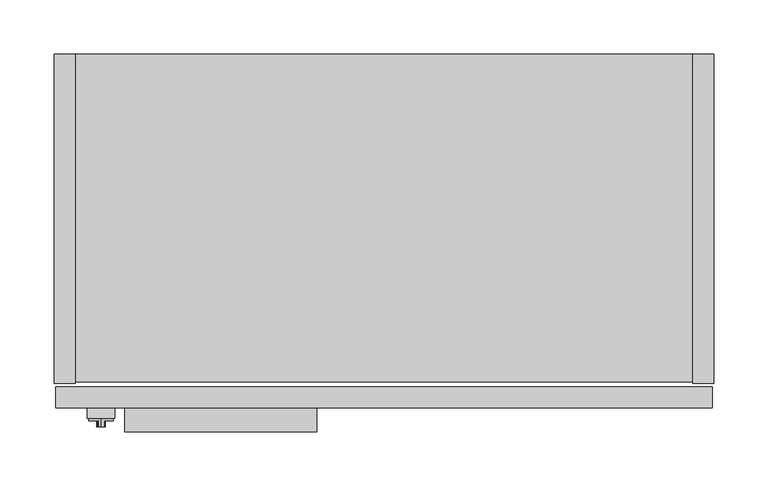
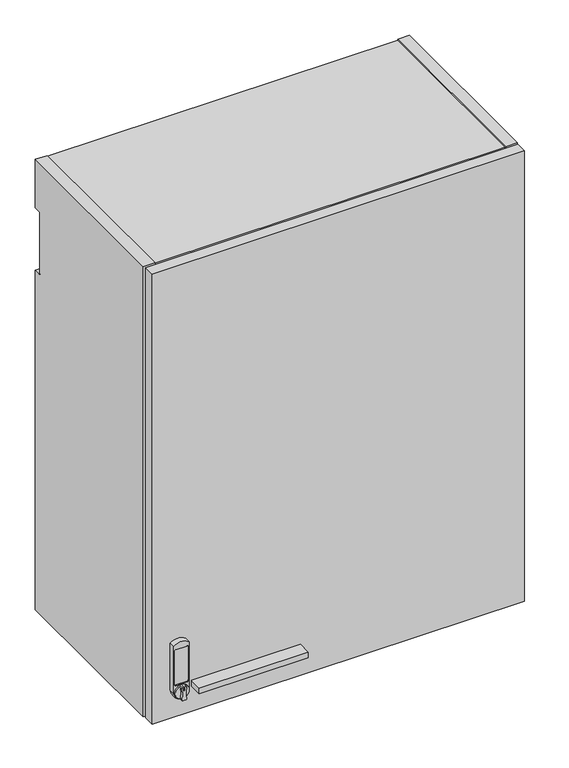
"""IFC4 building model written with IfcOpenShell, lengths in millimetres: furniture geometry."""

import ifcopenshell
import ifcopenshell.guid

model = None  # the IFC model being written
_history = None  # IfcOwnerHistory: only IFC2X3 demands one
_inside = {}  # id of a spatial element -> (the spatial element, [elements in it])
_under = {}  # id of a project, library or spatial element -> (it, [spatial elements below it])
_declared = {}  # id of a project -> (the project, [libraries it declares])
_typed = {}  # id of a type object -> (the type object, [elements of that type])
_made_of = {}  # id of a material, layer set ... -> (it, [elements and type objects made of it])


def new_model(schema):
    """Start an empty IFC model of exactly this schema.

    Asked for "IFC4X3", IfcOpenShell would pick the latest addendum, in which some entities
    have other attributes; the version numbers below select the first issue.
    IFC2X3 requires an IfcOwnerHistory on every rooted entity: one is made here for all.
    """
    global model, _history
    if schema == "IFC4X3":
        model = ifcopenshell.file(schema_version=(4, 3, 0, 0))
    else:
        model = ifcopenshell.file(schema=schema)
    _inside.clear()
    _under.clear()
    _declared.clear()
    _typed.clear()
    _made_of.clear()
    _history = None
    if model.schema == "IFC2X3":
        org = make("IfcOrganization", Name="unknown")
        user = make(
            "IfcPersonAndOrganization",
            ThePerson=make("IfcPerson", FamilyName="unknown"),
            TheOrganization=org,
        )
        app = make(
            "IfcApplication",
            ApplicationDeveloper=org,
            Version="unknown",
            ApplicationFullName="unknown",
            ApplicationIdentifier="unknown",
        )
        _history = make(
            "IfcOwnerHistory",
            OwningUser=user,
            OwningApplication=app,
            ChangeAction="ADDED",
            CreationDate=0,
        )
    return model


def make(cls, **values):
    """One entity of the class cls with the attributes given. An attribute that is None is left unset."""
    return model.create_entity(
        cls, **{name: value for name, value in values.items() if value is not None}
    )


def rooted(cls, **values):
    """An entity with a GlobalId (a new one), such as an element, a storey or a relation."""
    return make(cls, GlobalId=ifcopenshell.guid.new(), OwnerHistory=_history, **values)


def si_unit(unit_type, name, prefix=None):
    """IfcSIUnit, for example si_unit("LENGTHUNIT", "METRE", prefix="MILLI")."""
    return make("IfcSIUnit", UnitType=unit_type, Prefix=prefix, Name=name)


def assignment(units):
    """IfcUnitAssignment: the units of a project."""
    return None if units is None else make("IfcUnitAssignment", Units=units)


def point(xyz):
    """IfcCartesianPoint."""
    return None if xyz is None else make("IfcCartesianPoint", Coordinates=xyz)


def direction(xyz):
    """IfcDirection."""
    return None if xyz is None else make("IfcDirection", DirectionRatios=xyz)


def frame(location, z_axis=None, x_axis=None):
    """IfcAxis2Placement3D, a coordinate frame: its origin and axes. An axis left out is left unset."""
    return make(
        "IfcAxis2Placement3D",
        Location=point(location),
        Axis=direction(z_axis),
        RefDirection=direction(x_axis),
    )


def frame_2d(location, x_axis=None):
    """IfcAxis2Placement2D, a coordinate frame in the plane: its origin and x axis."""
    return make(
        "IfcAxis2Placement2D", Location=point(location), RefDirection=direction(x_axis)
    )


def origin():
    """The frame at (0, 0, 0) with its axes left unset."""
    return frame((0.0, 0.0, 0.0))


def place(relative_to, where):
    """IfcLocalPlacement: puts the frame where relative to a parent placement (None: the world)."""
    return make(
        "IfcLocalPlacement", PlacementRelTo=relative_to, RelativePlacement=where
    )


def context(
    kind, dimensions, precision=None, world=None, true_north=None, identifier=None
):
    """IfcGeometricRepresentationContext, for example the 3D "Model" context."""
    return make(
        "IfcGeometricRepresentationContext",
        ContextIdentifier=identifier,
        ContextType=kind,
        CoordinateSpaceDimension=dimensions,
        Precision=precision,
        WorldCoordinateSystem=world,
        TrueNorth=true_north,
    )


def project(units=None, contexts=None):
    """IfcProject with its units and contexts."""
    return rooted(
        "IfcProject",
        Name="project",
        RepresentationContexts=contexts,
        UnitsInContext=assignment(units),
    )


def spatial(cls, under=None, at=None, **own):
    """A site, building, storey or space (cls), placed at a placement, below another one or the project."""
    s = rooted(cls, ObjectPlacement=at, **own)
    if under is not None:
        _under.setdefault(under.id(), (under, []))[1].append(s)
    return s


def polyline(points):
    """IfcPolyline through the points."""
    return make("IfcPolyline", Points=[point(p) for p in points])


def circle_curve(where, radius):
    """IfcCircle in the frame where."""
    return make("IfcCircle", Position=where, Radius=radius)


def trimmed(basis, trim1, trim2, sense, master):
    """IfcTrimmedCurve: the piece of a basis curve between two trims."""
    return make(
        "IfcTrimmedCurve",
        BasisCurve=basis,
        Trim1=trim1,
        Trim2=trim2,
        SenseAgreement=sense,
        MasterRepresentation=master,
    )


def segment(curve, same_sense, transition):
    """IfcCompositeCurveSegment."""
    return make(
        "IfcCompositeCurveSegment",
        Transition=transition,
        SameSense=same_sense,
        ParentCurve=curve,
    )


def composite_curve(segments, self_intersect=None):
    """IfcCompositeCurve: segments joined end to end."""
    return make("IfcCompositeCurve", Segments=segments, SelfIntersect=self_intersect)


def outline(outer, holes=None, kind="AREA"):
    """IfcArbitraryClosedProfileDef: a profile drawn as a closed curve; with holes, ...WithVoids."""
    if holes is None:
        return make("IfcArbitraryClosedProfileDef", ProfileType=kind, OuterCurve=outer)
    return make(
        "IfcArbitraryProfileDefWithVoids",
        ProfileType=kind,
        OuterCurve=outer,
        InnerCurves=holes,
    )


def extrude(swept, where, along, depth):
    """IfcExtrudedAreaSolid: the profile swept, set in the frame where, extruded along a direction by depth."""
    return make(
        "IfcExtrudedAreaSolid",
        SweptArea=swept,
        Position=where,
        ExtrudedDirection=direction(along),
        Depth=depth,
    )


def shape(context_of_items, identifier, shape_type, items):
    """IfcShapeRepresentation: the items that make up one representation, for example the "Body"."""
    return make(
        "IfcShapeRepresentation",
        ContextOfItems=context_of_items,
        RepresentationIdentifier=identifier,
        RepresentationType=shape_type,
        Items=items,
    )


def source(mapping_origin, context_of_items, identifier, shape_type, items):
    """IfcRepresentationMap: a shape defined once, which mapped items show again and again."""
    return make(
        "IfcRepresentationMap",
        MappingOrigin=mapping_origin,
        MappedRepresentation=shape(context_of_items, identifier, shape_type, items),
    )


def transform(
    local_origin,
    x_axis=None,
    y_axis=None,
    z_axis=None,
    scale=None,
    scale2=None,
    scale3=None,
    uniform=True,
):
    """IfcCartesianTransformationOperator3D, or its non-uniform kind. x_axis, y_axis, z_axis: its Axis1, 2, 3."""
    if uniform:
        return make(
            "IfcCartesianTransformationOperator3D",
            Axis1=direction(x_axis),
            Axis2=direction(y_axis),
            LocalOrigin=point(local_origin),
            Scale=scale,
            Axis3=direction(z_axis),
        )
    return make(
        "IfcCartesianTransformationOperator3DnonUniform",
        Axis1=direction(x_axis),
        Axis2=direction(y_axis),
        LocalOrigin=point(local_origin),
        Scale=scale,
        Axis3=direction(z_axis),
        Scale2=scale2,
        Scale3=scale3,
    )


def mapped(mapping_source, mapping_target):
    """IfcMappedItem: shows the shape of a source again, moved by a transform."""
    return make(
        "IfcMappedItem", MappingSource=mapping_source, MappingTarget=mapping_target
    )


def made_of(thing, what):
    """Note that an element or type object is made of a material, layer set ...; save() writes the relation."""
    if what is not None:
        _made_of.setdefault(what.id(), (what, []))[1].append(thing)
    return thing


def element(
    cls,
    number,
    at=None,
    inside=None,
    cuts=None,
    type_object=None,
    material=None,
    context=None,
    identifier="Body",
    shape_type=None,
    held_by="IfcProductDefinitionShape",
    body=None,
    shapes=None,
    **own,
):
    """One element of the class cls, such as IfcWall. Its Tag is "e" and its number.

    at: its placement. inside: the storey or other place that contains it. cuts: it is an
    opening in that element (IfcRelVoidsElement). A single representation is given by context,
    identifier, shape_type and body (its items); several are given by shapes. held_by: the class
    of the entity that holds the representations. save() writes the other relations.
    """
    e = rooted(cls, Tag="e%d" % number, ObjectPlacement=at, **own)
    if body is not None:
        shapes = [shape(context, identifier, shape_type, body)]
    if shapes is not None:
        e.Representation = make(held_by, Representations=shapes)
    if inside is not None:
        _inside.setdefault(inside.id(), (inside, []))[1].append(e)
    if cuts is not None:
        rooted(
            "IfcRelVoidsElement", RelatingBuildingElement=cuts, RelatedOpeningElement=e
        )
    if type_object is not None:
        _typed.setdefault(type_object.id(), (type_object, []))[1].append(e)
    return made_of(e, material)


def aggregate(whole, parts):
    """IfcRelAggregates: a whole, such as a stair, and the parts it consists of."""
    return rooted("IfcRelAggregates", RelatingObject=whole, RelatedObjects=parts)


def save(model, path):
    """Write the relations noted so far, then the file.

    IfcRelAggregates (storeys below a building ...), IfcRelContainedInSpatialStructure (elements
    in a storey), IfcRelDefinesByType, IfcRelAssociatesMaterial and IfcRelDeclares: one each for
    every whole, place, type object, material and project.
    """
    for whole, parts in _under.values():
        aggregate(whole, parts)
    for where, things in _inside.values():
        rooted(
            "IfcRelContainedInSpatialStructure",
            RelatedElements=things,
            RelatingStructure=where,
        )
    for kind, things in _typed.values():
        rooted("IfcRelDefinesByType", RelatedObjects=things, RelatingType=kind)
    for what, things in _made_of.values():
        rooted("IfcRelAssociatesMaterial", RelatedObjects=things, RelatingMaterial=what)
    for by, libraries in _declared.values():
        rooted("IfcRelDeclares", RelatingContext=by, RelatedDefinitions=libraries)
    model.write(path)


def plane_surface(at):
    """IfcPlane: the flat surface through the origin of the frame at, square to its z axis."""
    return make("IfcPlane", Position=at)


def cylinder_surface(at, radius):
    """IfcCylindricalSurface: all points at the distance radius from the z axis of the frame at."""
    return make("IfcCylindricalSurface", Position=at, Radius=radius)


def revolved_surface(curve, axis_point, axis_direction):
    """IfcSurfaceOfRevolution: the curve turned about the line through axis_point along axis_direction."""
    return make(
        "IfcSurfaceOfRevolution",
        SweptCurve=make("IfcArbitraryOpenProfileDef", ProfileType="CURVE", Curve=curve),
        AxisPosition=make("IfcAxis1Placement", Location=point(axis_point), Axis=direction(axis_direction)),
    )


def advanced_brep(points, edges, surfaces, faces):
    """IfcAdvancedBrep: a solid bounded by faces that lie on surfaces and meet in shared edges.

    An edge is (start, end): straight between two places in points (the first is 0);
    or (start, end, curve); or (start, end, curve, False) where it runs against its curve.
    A face is (place in surfaces, loops), or (place, loops, False) where it looks against
    its surface's normal. A loop lists edges by number (the first is 1), with a minus sign
    where the edge is run from its end to its start. The first loop is the outer one.
    """
    corners = [point(p) for p in points]
    vertices = [make("IfcVertexPoint", VertexGeometry=c) for c in corners]
    made = []
    for start, end, *more in edges:
        made.append(
            make(
                "IfcEdgeCurve",
                EdgeStart=vertices[start],
                EdgeEnd=vertices[end],
                EdgeGeometry=more[0] if more else make("IfcPolyline", Points=[corners[start], corners[end]]),
                SameSense=more[1] if len(more) > 1 else True,
            )
        )
    hull = []
    for where, loops, *sense in faces:
        bounds = []
        for j, loop in enumerate(loops):
            ring = [make("IfcOrientedEdge", EdgeElement=made[abs(k) - 1], Orientation=k > 0) for k in loop]
            bounds.append(
                make(
                    "IfcFaceOuterBound" if j == 0 else "IfcFaceBound",
                    Bound=make("IfcEdgeLoop", EdgeList=ring),
                    Orientation=True,
                )
            )
        hull.append(make("IfcAdvancedFace", Bounds=bounds, FaceSurface=surfaces[where], SameSense=sense[0] if sense else True))
    return make("IfcAdvancedBrep", Outer=make("IfcClosedShell", CfsFaces=hull))


def furniture_f4bc5481(model_context):
    return source(origin(), model_context, "Body", "SolidModel", [
        advanced_brep(
        [(43.4975, -344.551, 1939.7791484), (40.543813, -344.551, 1939.3909161), (39.6305336, -344.551, 1937.6339969), (39.6003845, -344.551, 1918.5009499), (40.543813, -344.551, 1917.3073808), (43.4975, -344.551, 1916.9191484), (46.451187, -344.551, 1917.3073808), (47.3946155, -344.551, 1918.5009499), (47.3644664, -344.551, 1937.6339969), (46.451187, -344.551, 1939.3909161), (42.7355, -344.551, 1937.7617878), (44.2595, -344.551, 1937.7617878), (44.2595, -344.551, 1934.4712263), (42.7355, -344.551, 1934.4712263), (43.4975, -336.931, 1939.7791484), (43.4975, -336.931, 1916.9191484), (46.451187, -339.1034403, 1939.3909161), (46.451187, -339.1034403, 1917.3073808), (40.543813, -339.1034403, 1917.3073808), (40.543813, -339.1034403, 1939.3909161), (39.6003845, -339.1034403, 1918.5009499), (39.6305336, -339.1034403, 1937.6339969), (47.3946155, -339.1034403, 1918.5009499), (47.3644664, -339.1034403, 1937.6339969), (42.7355, -343.3268699, 1934.4712263), (44.2595, -343.3268699, 1934.4712263), (44.2595, -343.3268699, 1937.7617878), (42.7355, -343.3268699, 1937.7617878)],
        [
            (0, 1, circle_curve(frame((43.4975, -344.551, 1928.3491484), z_axis=(0.0, -1.0, 0.0), x_axis=(0.0, 0.0, -1.0)), 11.43)),
            (1, 2, circle_curve(frame((41.08404, -344.551, 1937.9942665), z_axis=(0.0, -1.0, 0.0), x_axis=(0.0, 0.0, -1.0)), 1.4974896)),
            (2, 3, circle_curve(frame((1.2781576, -344.551, 1928.1278836), z_axis=(0.0, 1.0, 0.0), x_axis=(0.0, 0.0, -1.0)), 39.512921)),
            (3, 4, circle_curve(frame((41.08404, -344.551, 1918.7040303), z_axis=(0.0, -1.0, 0.0), x_axis=(0.0, 0.0, -1.0)), 1.4974896)),
            (4, 5, circle_curve(frame((43.4975, -344.551, 1928.3491484), z_axis=(0.0, -1.0, 0.0), x_axis=(0.0, 0.0, -1.0)), 11.43)),
            (5, 6, circle_curve(frame((43.4975, -344.551, 1928.3491484), z_axis=(0.0, -1.0, 0.0), x_axis=(0.0, 0.0, -1.0)), 11.43)),
            (6, 7, circle_curve(frame((45.91096, -344.551, 1918.7040303), z_axis=(0.0, -1.0, 0.0), x_axis=(0.0, 0.0, -1.0)), 1.4974896)),
            (7, 8, circle_curve(frame((85.7168424, -344.551, 1928.1278836), z_axis=(0.0, 1.0, 0.0), x_axis=(0.0, 0.0, -1.0)), 39.512921)),
            (8, 9, circle_curve(frame((45.91096, -344.551, 1937.9942665), z_axis=(0.0, -1.0, 0.0), x_axis=(0.0, 0.0, -1.0)), 1.4974896)),
            (9, 0, circle_curve(frame((43.4975, -344.551, 1928.3491484), z_axis=(0.0, -1.0, 0.0), x_axis=(0.0, 0.0, -1.0)), 11.43)),
            (10, 11, circle_curve(frame((43.4975, -344.551, 1937.7617878), z_axis=(0.0, 1.0, 0.0), x_axis=(0.0, 0.0, -1.0)), 0.762)),
            (11, 12),
            (12, 13, circle_curve(frame((43.4975, -344.551, 1934.4712263), z_axis=(0.0, 1.0, 0.0), x_axis=(0.0, 0.0, 1.0)), 0.762)),
            (13, 10),
            (14, 15, circle_curve(frame((43.4975, -336.931, 1928.3491484), z_axis=(0.0, 1.0, 0.0), x_axis=(0.0, 0.0, -1.0)), 11.43)),
            (15, 14, circle_curve(frame((43.4975, -336.931, 1928.3491484), z_axis=(0.0, 1.0, 0.0), x_axis=(0.0, 0.0, -1.0)), 11.43)),
            (14, 0),
            (9, 16),
            (16, 17, circle_curve(frame((43.4975, -339.1034403, 1928.3491484), z_axis=(0.0, 1.0, 0.0), x_axis=(0.0, 0.0, -1.0)), 11.43)),
            (17, 6),
            (5, 15),
            (4, 18),
            (18, 19, circle_curve(frame((43.4975, -339.1034403, 1928.3491484), z_axis=(0.0, 1.0, 0.0), x_axis=(0.0, 0.0, -1.0)), 11.43)),
            (19, 1),
            (20, 21, circle_curve(frame((1.2781576, -339.1034403, 1928.1278836), z_axis=(0.0, -1.0, 0.0), x_axis=(0.0, 0.0, -1.0)), 39.512921)),
            (21, 19, circle_curve(frame((41.08404, -339.1034403, 1937.9942665), z_axis=(0.0, 1.0, 0.0), x_axis=(0.0, 0.0, -1.0)), 1.4974896)),
            (18, 20, circle_curve(frame((41.08404, -339.1034403, 1918.7040303), z_axis=(0.0, 1.0, 0.0), x_axis=(0.0, 0.0, -1.0)), 1.4974896)),
            (22, 17, circle_curve(frame((45.91096, -339.1034403, 1918.7040303), z_axis=(0.0, 1.0, 0.0), x_axis=(0.0, 0.0, -1.0)), 1.4974896)),
            (16, 23, circle_curve(frame((45.91096, -339.1034403, 1937.9942665), z_axis=(0.0, 1.0, 0.0), x_axis=(0.0, 0.0, -1.0)), 1.4974896)),
            (23, 22, circle_curve(frame((85.7168424, -339.1034403, 1928.1278836), z_axis=(0.0, -1.0, 0.0), x_axis=(0.0, 0.0, -1.0)), 39.512921)),
            (3, 20),
            (21, 2),
            (23, 8),
            (7, 22),
            (24, 25, circle_curve(frame((43.4975, -343.3268699, 1934.4712263), z_axis=(0.0, -1.0, 0.0), x_axis=(0.0, 0.0, 1.0)), 0.762)),
            (25, 26),
            (26, 27, circle_curve(frame((43.4975, -343.3268699, 1937.7617878), z_axis=(0.0, -1.0, 0.0), x_axis=(0.0, 0.0, -1.0)), 0.762)),
            (27, 24),
            (27, 10),
            (13, 24),
            (26, 11),
            (25, 12),
        ],
        [
            plane_surface(frame((43.4975, -344.551, 1916.9191484), z_axis=(0.0, -1.0, 0.0), x_axis=(-1.0, 0.0, 0.0))),
            plane_surface(frame((43.4975, -336.931, 1916.9191484), z_axis=(0.0, 1.0, 0.0), x_axis=(1.0, 0.0, 0.0))),
            cylinder_surface(frame((43.4975, -336.931, 1928.3491484), z_axis=(0.0, -1.0, 0.0), x_axis=(0.0, 0.0, -1.0)), 11.43),
            plane_surface(frame((41.08404, -339.1034403, 1917.2065407), z_axis=(0.0, -1.0, 0.0), x_axis=(-1.0, 0.0, 0.0))),
            cylinder_surface(frame((41.08404, -339.1034403, 1918.7040303), z_axis=(0.0, 1.0, 0.0), x_axis=(0.0, 0.0, -1.0)), 1.4974896),
            cylinder_surface(frame((41.08404, -339.1034403, 1937.9942665), z_axis=(0.0, 1.0, 0.0), x_axis=(0.0, 0.0, -1.0)), 1.4974896),
            revolved_surface(polyline([(1.2781576, -344.551, 1888.6149626), (1.2781576, -339.1034403, 1888.6149626)]), (1.2781576, -339.1034403, 1928.1278836), (0.0, -1.0, 0.0)),
            revolved_surface(polyline([(85.7168424, -344.551, 1888.6149626), (85.7168424, -339.1034403, 1888.6149626)]), (85.7168424, -327.025, 1928.1278836), (0.0, -1.0, 0.0)),
            cylinder_surface(frame((45.91096, -327.025, 1937.9942665), z_axis=(0.0, 1.0, 0.0), x_axis=(0.0, 0.0, -1.0)), 1.4974896),
            cylinder_surface(frame((45.91096, -327.025, 1918.7040303), z_axis=(0.0, 1.0, 0.0), x_axis=(0.0, 0.0, -1.0)), 1.4974896),
            plane_surface(frame((42.7355, -343.3268699, 2013.5554451), z_axis=(0.0, -1.0, 0.0), x_axis=(0.0, 0.0, -1.0))),
            plane_surface(frame((42.7355, -344.551, 1934.4712263), z_axis=(1.0, 0.0, 0.0), x_axis=(0.0, 1.0, 0.0))),
            revolved_surface(polyline([(43.4975, -344.551, 1936.9997878000001), (43.4975, -343.3268699, 1936.9997878000001)]), (43.4975, -343.3268699, 1937.7617878), (0.0, -1.0, 0.0)),
            plane_surface(frame((44.2595, -344.551, 1937.7617878), z_axis=(-1.0, 0.0, 0.0), x_axis=(0.0, 1.0, 0.0))),
            revolved_surface(polyline([(43.4975, -344.551, 1935.2332262999998), (43.4975, -343.3268699, 1935.2332262999998)]), (43.4975, -343.3268699, 1934.4712263), (0.0, -1.0, 0.0)),
        ],
        [
            (0, [[1, 2, 3, 4, 5, 6, 7, 8, 9, 10], [11, 12, 13, 14]]),
            (1, [[15, 16]]),
            (2, [[17, -10, 18, 19, 20, -6, 21, -15]]),
            (2, [[-21, -5, 22, 23, 24, -1, -17, -16]]),
            (3, [[25, 26, -23, 27]]),
            (3, [[28, -19, 29, 30]]),
            (4, [[-22, -4, 31, -27]]),
            (5, [[32, -2, -24, -26]]),
            (6, [[-31, -3, -32, -25]]),
            (7, [[33, -8, 34, -30]]),
            (8, [[-18, -9, -33, -29]]),
            (9, [[-34, -7, -20, -28]]),
            (10, [[35, 36, 37, 38]]),
            (11, [[39, -14, 40, -38]]),
            (12, [[41, -11, -39, -37]]),
            (13, [[42, -12, -41, -36]]),
            (14, [[-40, -13, -42, -35]]),
        ],
    ),
        advanced_brep(
        [(30.7975, -336.931, 2008.9061718), (30.7975, -336.931, 1928.2156), (56.1975, -336.931, 1928.2156), (56.1975, -336.931, 2008.9061718), (54.9275, -336.931, 1943.5097734), (52.3875, -336.931, 1940.9697734), (34.6075, -336.931, 1940.9697734), (32.0675, -336.931, 1943.5097734), (32.0675, -336.931, 2000.1253259), (34.6075, -336.931, 2002.6653259), (52.3875, -336.931, 2002.6653259), (54.9275, -336.931, 2000.1253259), (30.7975, -327.025, 2008.9061718), (56.1975, -327.025, 2008.9061718), (56.1975, -327.025, 1928.2156), (30.7975, -327.025, 1928.2156), (52.3875, -335.4242162, 2002.6653259), (34.6075, -335.4242162, 2002.6653259), (32.0675, -335.4242162, 2000.1253259), (32.0675, -335.4242162, 1943.5097734), (34.6075, -335.4242162, 1940.9697734), (52.3875, -335.4242162, 1940.9697734), (54.9275, -335.4242162, 1943.5097734), (54.9275, -335.4242162, 2000.1253259)],
        [
            (0, 1),
            (1, 2, circle_curve(frame((43.4975, -336.931, 1928.2156), z_axis=(0.0, -1.0, 0.0), x_axis=(0.0, 0.0, -1.0)), 12.7)),
            (2, 3),
            (3, 0, circle_curve(frame((43.4975, -336.931, 1993.885087), z_axis=(0.0, -1.0, 0.0), x_axis=(0.0, 0.0, -1.0)), 19.6703582)),
            (4, 5, circle_curve(frame((52.3875, -336.931, 1943.5097734), z_axis=(0.0, 1.0, 0.0), x_axis=(0.0, 0.0, -1.0)), 2.54)),
            (5, 6),
            (6, 7, circle_curve(frame((34.6075, -336.931, 1943.5097734), z_axis=(0.0, 1.0, 0.0), x_axis=(0.0, 0.0, -1.0)), 2.54)),
            (7, 8),
            (8, 9, circle_curve(frame((34.6075, -336.931, 2000.1253259), z_axis=(0.0, 1.0, 0.0), x_axis=(0.0, 0.0, -1.0)), 2.54)),
            (9, 10),
            (10, 11, circle_curve(frame((52.3875, -336.931, 2000.1253259), z_axis=(0.0, 1.0, 0.0), x_axis=(0.0, 0.0, -1.0)), 2.54)),
            (11, 4),
            (12, 13, circle_curve(frame((43.4975, -327.025, 1993.885087), z_axis=(0.0, 1.0, 0.0), x_axis=(0.0, 0.0, -1.0)), 19.6703582)),
            (13, 14),
            (14, 15, circle_curve(frame((43.4975, -327.025, 1928.2156), z_axis=(0.0, 1.0, 0.0), x_axis=(0.0, 0.0, -1.0)), 12.7)),
            (15, 12),
            (2, 14),
            (13, 3),
            (0, 12),
            (15, 1),
            (16, 17),
            (17, 18, circle_curve(frame((34.6075, -335.4242162, 2000.1253259), z_axis=(0.0, -1.0, 0.0), x_axis=(0.0, 0.0, -1.0)), 2.54)),
            (18, 19),
            (19, 20, circle_curve(frame((34.6075, -335.4242162, 1943.5097734), z_axis=(0.0, -1.0, 0.0), x_axis=(0.0, 0.0, -1.0)), 2.54)),
            (20, 21),
            (21, 22, circle_curve(frame((52.3875, -335.4242162, 1943.5097734), z_axis=(0.0, -1.0, 0.0), x_axis=(0.0, 0.0, -1.0)), 2.54)),
            (22, 23),
            (23, 16, circle_curve(frame((52.3875, -335.4242162, 2000.1253259), z_axis=(0.0, -1.0, 0.0), x_axis=(0.0, 0.0, -1.0)), 2.54)),
            (22, 4),
            (11, 23),
            (20, 6),
            (5, 21),
            (18, 8),
            (7, 19),
            (16, 10),
            (9, 17),
        ],
        [
            plane_surface(frame((43.4975, -336.931, 1974.2147288), z_axis=(0.0, -1.0, 0.0), x_axis=(-1.0, 0.0, 0.0))),
            plane_surface(frame((43.4975, -327.025, 1974.2147288), z_axis=(0.0, 1.0, 0.0), x_axis=(1.0, 0.0, 0.0))),
            plane_surface(frame((56.1975, -336.931, 2008.9061718), z_axis=(1.0, 0.0, 0.0), x_axis=(0.0, 1.0, 0.0))),
            plane_surface(frame((30.7975, -336.931, 1928.2156), z_axis=(-1.0, 0.0, 2.7958673908800244e-12), x_axis=(0.0, 1.0, 0.0))),
            plane_surface(frame((52.3875, -335.4242162, 1997.5853259), z_axis=(0.0, -1.0, 0.0), x_axis=(1.0, 0.0, 0.0))),
            cylinder_surface(frame((43.4975, -327.025, 1928.2156), z_axis=(0.0, -1.0, 0.0), x_axis=(0.0, 0.0, -1.0)), 12.7),
            plane_surface(frame((54.9275, -343.3268699, 2000.1253259), z_axis=(-1.0, 0.0, -3.0438306120267246e-12), x_axis=(0.0, 1.0, 0.0))),
            plane_surface(frame((52.3875, -343.3268699, 1940.9697734), z_axis=(0.0, 0.0, 1.0), x_axis=(0.0, 1.0, 0.0))),
            plane_surface(frame((32.0675, -343.3268699, 1943.5097734), z_axis=(1.0, 0.0, 0.0), x_axis=(0.0, 1.0, 0.0))),
            plane_surface(frame((34.6075, -343.3268699, 2002.6653259), z_axis=(0.0, 0.0, -1.0), x_axis=(0.0, 1.0, 0.0))),
            revolved_surface(polyline([(52.3875, -336.931, 1997.5853259), (52.3875, -335.4242162, 1997.5853259)]), (52.3875, -335.4242162, 2000.1253259), (0.0, -1.0, 0.0)),
            revolved_surface(polyline([(52.3875, -336.931, 1940.9697734000001), (52.3875, -335.4242162, 1940.9697734000001)]), (52.3875, -335.4242162, 1943.5097734), (0.0, -1.0, 0.0)),
            revolved_surface(polyline([(34.6075, -336.931, 1940.9697734000001), (34.6075, -335.4242162, 1940.9697734000001)]), (34.6075, -335.4242162, 1943.5097734), (0.0, -1.0, 0.0)),
            revolved_surface(polyline([(34.6075, -336.931, 1997.5853259), (34.6075, -335.4242162, 1997.5853259)]), (34.6075, -335.4242162, 2000.1253259), (0.0, -1.0, 0.0)),
            cylinder_surface(frame((43.4975, -327.025, 1993.885087), z_axis=(0.0, -1.0, 0.0), x_axis=(0.0, 0.0, -1.0)), 19.6703582),
        ],
        [
            (0, [[1, 2, 3, 4], [5, 6, 7, 8, 9, 10, 11, 12]]),
            (1, [[13, 14, 15, 16]]),
            (2, [[17, -14, 18, -3]]),
            (3, [[19, -16, 20, -1]]),
            (4, [[21, 22, 23, 24, 25, 26, 27, 28]]),
            (5, [[-20, -15, -17, -2]]),
            (6, [[29, -12, 30, -27]]),
            (7, [[31, -6, 32, -25]]),
            (8, [[33, -8, 34, -23]]),
            (9, [[35, -10, 36, -21]]),
            (10, [[-30, -11, -35, -28]]),
            (11, [[-32, -5, -29, -26]]),
            (12, [[-34, -7, -31, -24]]),
            (13, [[-36, -9, -33, -22]]),
            (14, [[-18, -13, -19, -4]]),
        ],
    ),
        extrude(outline(polyline([(242.8875, -349.25), (65.0875, -349.25), (65.0875, -327.025), (242.8875, -327.025), (242.8875, -349.25)])), frame((0.0, 0.0, 1923.4531), z_axis=(0.0, 0.0, 1.0), x_axis=(1.0, 0.0, 0.0)), (0.0, 0.0, 1.0), 9.525),
        extrude(outline(polyline([(609.6, -304.546), (590.296, -304.546), (590.296, 0.0), (609.6, 0.0), (609.6, -304.546)])), frame((0.0, 0.0, 1879.6), z_axis=(0.0, 0.0, 1.0), x_axis=(1.0, 0.0, 0.0)), (0.0, 0.0, 1.0), 774.7),
        extrude(outline(polyline([(590.296, -303.022), (19.304, -303.022), (19.304, -12.7), (590.296, -12.7), (590.296, -303.022)])), frame((0.0, 0.0, 1881.124), z_axis=(0.0, 0.0, 1.0), x_axis=(1.0, 0.0, 0.0)), (0.0, 0.0, 1.0), 19.304),
        extrude(outline(polyline([(590.296, -12.7), (590.296, -32.004), (19.304, -32.004), (19.304, -12.7), (590.296, -12.7)])), frame((0.0, 0.0, 1900.428), z_axis=(0.0, 0.0, 1.0), x_axis=(1.0, 0.0, 0.0)), (0.0, 0.0, 1.0), 734.568),
        extrude(outline(composite_curve([segment(polyline([(-304.546, 1879.6), (-304.546, 2654.3), (0.0, 2654.3), (0.0, 2571.242), (-9.5254487, 2571.242)]), True, "CONTINUOUS"), segment(trimmed(circle_curve(frame_2d((-9.5254487, 2568.0674487)), 3.1745513), [point((-9.5254487, 2571.242))], [point((-12.7, 2568.0674487))], True, "CARTESIAN"), True, "CONTINUOUS"), segment(polyline([(-12.7, 2568.0674487), (-12.7, 2466.467)]), True, "CONTINUOUS"), segment(trimmed(circle_curve(frame_2d((-9.525, 2466.467)), 3.175), [point((-12.7, 2466.467))], [point((-9.525, 2463.292))], True, "CARTESIAN"), True, "CONTINUOUS"), segment(polyline([(-9.525, 2463.292), (0.0, 2463.292), (0.0, 1879.6), (-304.546, 1879.6)]), True, "CONTINUOUS")], self_intersect=False)), frame((0.0, 0.0, 0.0), z_axis=(1.0, 0.0, 0.0), x_axis=(0.0, 1.0, 0.0)), (0.0, 0.0, 1.0), 19.304),
        extrude(outline(polyline([(590.296, -303.022), (19.304, -303.022), (19.304, 0.0), (590.296, 0.0), (590.296, -303.022)])), frame((0.0, 0.0, 2634.996), z_axis=(0.0, 0.0, 1.0), x_axis=(1.0, 0.0, 0.0)), (0.0, 0.0, 1.0), 17.78),
        extrude(outline(polyline([(608.0125, -327.025), (1.5875, -327.025), (1.5875, -307.721), (608.0125, -307.721), (608.0125, -327.025)])), frame((0.0, 0.0, 1879.6), z_axis=(0.0, 0.0, 1.0), x_axis=(1.0, 0.0, 0.0)), (0.0, 0.0, 1.0), 774.7),
    ])


if __name__ == "__main__":
    model = new_model("IFC4")
    model_context = context("Model", 3, world=origin())
    ifc_project = project(units=[si_unit("LENGTHUNIT", "METRE", prefix="MILLI")], contexts=[model_context])
    site = spatial("IfcSite", under=ifc_project)
    building = spatial("IfcBuilding", under=site)
    placement = place(None, origin())
    furniture_shape = furniture_f4bc5481(model_context)
    element("IfcFurniture", 1, at=placement, inside=building, context=model_context, shape_type="MappedRepresentation", body=[
        mapped(furniture_shape, transform((0.0, 0.0, 0.0), x_axis=(1.0, 0.0, 0.0), y_axis=(0.0, 1.0, 0.0), z_axis=(0.0, 0.0, 1.0))),
    ])
    save(model, "model.ifc")
